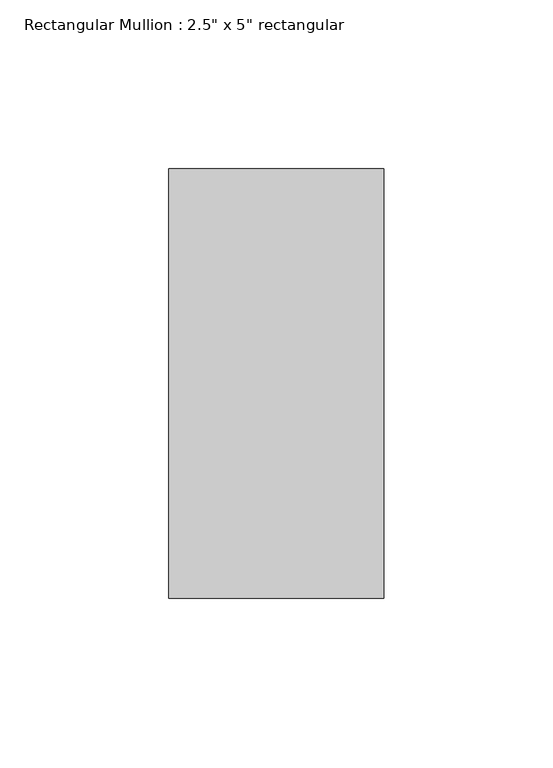
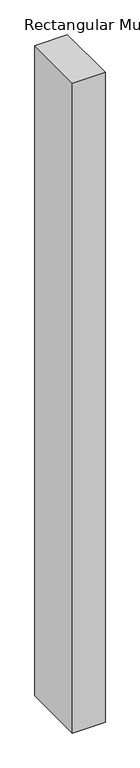
"""IFC4 building model written with IfcOpenShell, lengths in millimetres: member geometry."""

from ifc_helpers import new_model, si_unit, frame, origin, place, context, project, spatial, polyline, outline, extrude, source, transform, mapped, element, save


def member_cb9f61da(model_context):
    return source(origin(), model_context, "Body", "SweptSolid", [
        extrude(outline(polyline([(0.0, 63.5), (0.0, -63.5), (-63.5, -63.5), (-63.5, 63.5), (0.0, 63.5)])), frame((0.0, 0.0, -1341.4374999), z_axis=(0.0, 0.0, 1.0), x_axis=(1.0, 0.0, 0.0)), (0.0, 0.0, 1.0), 1341.4374999),
    ])


if __name__ == "__main__":
    model = new_model("IFC4")
    model_context = context("Model", 3, world=origin())
    ifc_project = project(units=[si_unit("LENGTHUNIT", "METRE", prefix="MILLI")], contexts=[model_context])
    site = spatial("IfcSite", under=ifc_project)
    building = spatial("IfcBuilding", under=site)
    placement = place(None, origin())
    member_shape = member_cb9f61da(model_context)
    element("IfcMember", 1, ObjectType="Rectangular Mullion : 2.5\" x 5\" rectangular", at=placement, inside=building, context=model_context, shape_type="MappedRepresentation", body=[
        mapped(member_shape, transform((0.0, 0.0, 0.0), x_axis=(1.0, 0.0, 0.0), y_axis=(0.0, 1.0, 0.0), z_axis=(0.0, 0.0, 1.0))),
    ])
    save(model, "model.ifc")
